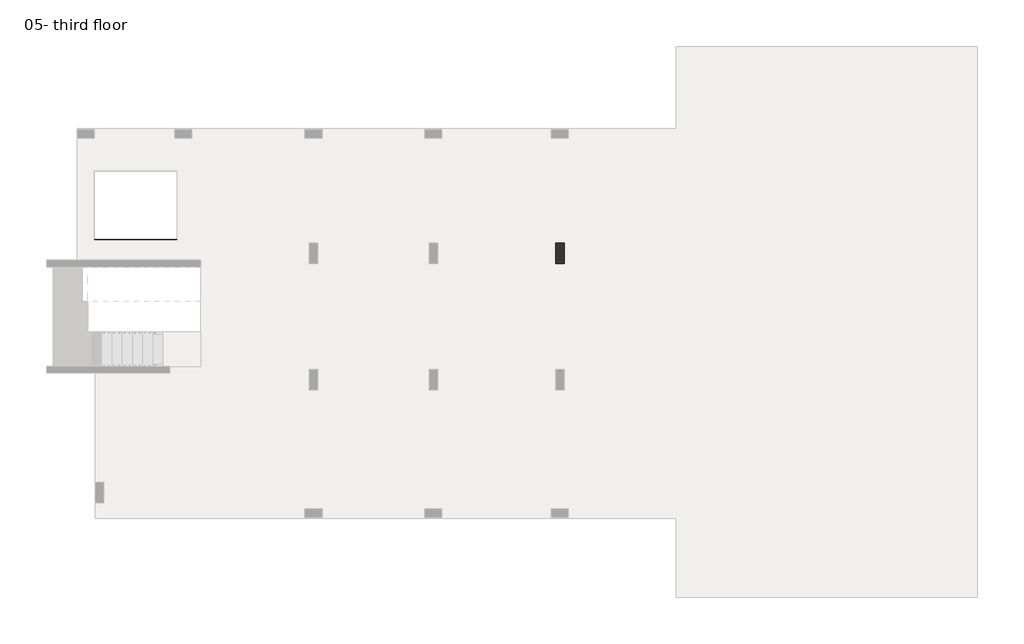
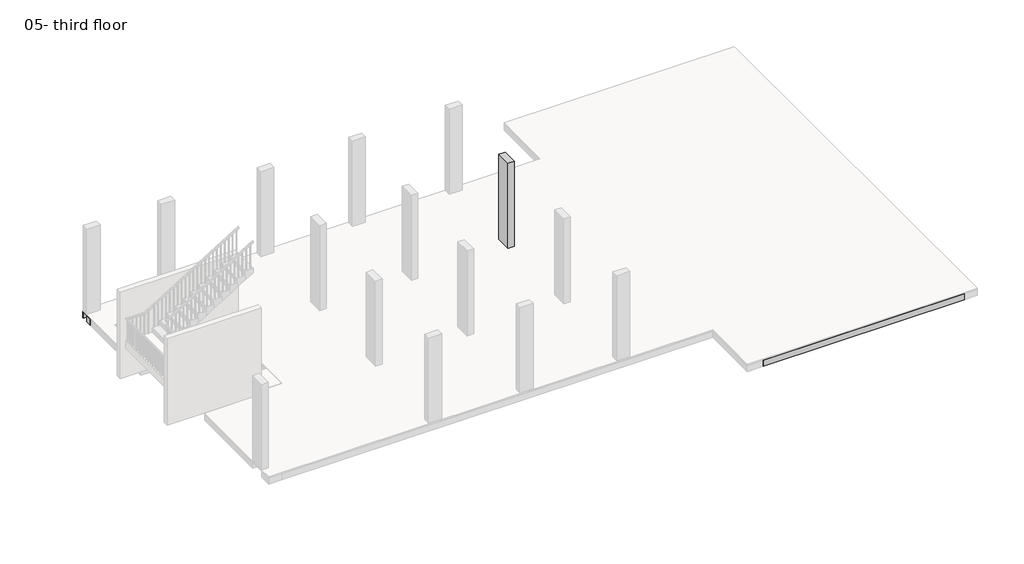
# One storey, part 3 of 5: 15 beams, 1 column.
"""IFC4 building model written with IfcOpenShell, lengths in millimetres."""

from ifc_helpers import new_model, si_unit, frame, origin, place, context, project, spatial, polyline, outline, extrude, faceted_brep, element, save

model = new_model("IFC4")

# Units and contexts
model_context = context("Model", 3, world=origin())
ifc_project = project(units=[si_unit("LENGTHUNIT", "METRE", prefix="MILLI")], contexts=[model_context])

# Site, building, storey
site = spatial("IfcSite", under=ifc_project)
building = spatial("IfcBuilding", under=site)
storey = spatial("IfcBuildingStorey", under=building, Name="05- third floor", Elevation=10500.0)

# Beams
placement = place(None, origin())
element("IfcBeam", 1, ObjectType="B 150 x 250 mm", at=placement, inside=storey, context=model_context, shape_type="SweptSolid", body=[
    extrude(outline(polyline([(21975.0195763, -13246.8939341), (21825.0195763, -13246.8939341), (21825.0195763, -11246.893934), (21975.0195763, -11246.893934), (21975.0195763, -13246.8939341)])), frame((0.0, 0.0, 10200.0), z_axis=(0.0, 0.0, 1.0), x_axis=(1.0, 0.0, 0.0)), (0.0, 0.0, 1.0), 250.0),
])
element("IfcBeam", 2, ObjectType="B 150 x 250 mm", at=placement, inside=storey, context=model_context, shape_type="SweptSolid", body=[
    extrude(outline(polyline([(18375.0390798, -13246.8939341), (18225.0390798, -13246.8939341), (18225.0390798, -11246.893934), (18375.0390798, -11246.893934), (18375.0390798, -13246.8939341)])), frame((0.0, 0.0, 10200.0), z_axis=(0.0, 0.0, 1.0), x_axis=(1.0, 0.0, 0.0)), (0.0, 0.0, 1.0), 250.0),
])
element("IfcBeam", 3, ObjectType="B 150 x 250 mm", at=placement, inside=storey, context=model_context, shape_type="SweptSolid", body=[
    extrude(outline(polyline([(18925.0390798, -13246.8939341), (18775.0390798, -13246.8939341), (18775.0390798, -11246.893934), (18925.0390798, -11246.893934), (18925.0390798, -13246.8939341)])), frame((0.0, 0.0, 10200.0), z_axis=(0.0, 0.0, 1.0), x_axis=(1.0, 0.0, 0.0)), (0.0, 0.0, 1.0), 250.0),
])
element("IfcBeam", 4, ObjectType="B 150 x 250 mm", at=placement, inside=storey, context=model_context, shape_type="SweptSolid", body=[
    extrude(outline(polyline([(19475.0390798, -13246.8939341), (19325.0390798, -13246.8939341), (19325.0390798, -11246.893934), (19475.0390798, -11246.893934), (19475.0390798, -13246.8939341)])), frame((0.0, 0.0, 10200.0), z_axis=(0.0, 0.0, 1.0), x_axis=(1.0, 0.0, 0.0)), (0.0, 0.0, 1.0), 250.0),
])
element("IfcBeam", 5, ObjectType="B 150 x 250 mm", at=placement, inside=storey, context=model_context, shape_type="SweptSolid", body=[
    extrude(outline(polyline([(20025.0390798, -13246.8939341), (19875.0390798, -13246.8939341), (19875.0390798, -11246.893934), (20025.0390798, -11246.893934), (20025.0390798, -13246.8939341)])), frame((0.0, 0.0, 10200.0), z_axis=(0.0, 0.0, 1.0), x_axis=(1.0, 0.0, 0.0)), (0.0, 0.0, 1.0), 250.0),
])
element("IfcBeam", 6, ObjectType="B 150 x 250 mm", at=placement, inside=storey, context=model_context, shape_type="SweptSolid", body=[
    extrude(outline(polyline([(20575.0390798, -13246.8939341), (20425.0390798, -13246.8939341), (20425.0390798, -11246.893934), (20575.0390798, -11246.893934), (20575.0390798, -13246.8939341)])), frame((0.0, 0.0, 10200.0), z_axis=(0.0, 0.0, 1.0), x_axis=(1.0, 0.0, 0.0)), (0.0, 0.0, 1.0), 250.0),
])
element("IfcBeam", 7, ObjectType="B 150 x 250 mm", at=placement, inside=storey, context=model_context, shape_type="SweptSolid", body=[
    extrude(outline(polyline([(14525.0390798, -346.893934), (14675.0390798, -346.893934), (14675.0390798, -3096.893934), (14525.0390798, -3096.893934), (14525.0390798, -346.893934)])), frame((0.0, 0.0, 10200.0), z_axis=(0.0, 0.0, 1.0), x_axis=(1.0, 0.0, 0.0)), (0.0, 0.0, 1.0), 250.0),
])
element("IfcBeam", 8, ObjectType="B 150 x 250 mm", at=placement, inside=storey, context=model_context, shape_type="SweptSolid", body=[
    extrude(outline(polyline([(15075.0390798, -346.893934), (15225.0390798, -346.893934), (15225.0390798, -3096.893934), (15075.0390798, -3096.893934), (15075.0390798, -346.893934)])), frame((0.0, 0.0, 10200.0), z_axis=(0.0, 0.0, 1.0), x_axis=(1.0, 0.0, 0.0)), (0.0, 0.0, 1.0), 250.0),
])
element("IfcBeam", 9, ObjectType="B 150 x 250 mm", at=placement, inside=storey, context=model_context, shape_type="SweptSolid", body=[
    extrude(outline(polyline([(15625.0390798, -346.893934), (15775.0390798, -346.893934), (15775.0390798, -3096.893934), (15625.0390798, -3096.893934), (15625.0390798, -346.893934)])), frame((0.0, 0.0, 10200.0), z_axis=(0.0, 0.0, 1.0), x_axis=(1.0, 0.0, 0.0)), (0.0, 0.0, 1.0), 250.0),
])
element("IfcBeam", 10, ObjectType="B 150 x 250 mm", at=placement, inside=storey, context=model_context, shape_type="SweptSolid", body=[
    extrude(outline(polyline([(11925.0390798, -346.893934), (12075.0390798, -346.893934), (12075.0390798, -3096.893934), (11925.0390798, -3096.893934), (11925.0390798, -346.893934)])), frame((0.0, 0.0, 10200.0), z_axis=(0.0, 0.0, 1.0), x_axis=(1.0, 0.0, 0.0)), (0.0, 0.0, 1.0), 250.0),
])
element("IfcBeam", 11, ObjectType="B 150 x 250 mm", at=placement, inside=storey, context=model_context, shape_type="SweptSolid", body=[
    extrude(outline(polyline([(12475.0390798, -346.893934), (12625.0390798, -346.893934), (12625.0390798, -3096.893934), (12475.0390798, -3096.893934), (12475.0390798, -346.893934)])), frame((0.0, 0.0, 10200.0), z_axis=(0.0, 0.0, 1.0), x_axis=(1.0, 0.0, 0.0)), (0.0, 0.0, 1.0), 250.0),
])
element("IfcBeam", 12, ObjectType="B 150 x 250 mm", at=placement, inside=storey, context=model_context, shape_type="SweptSolid", body=[
    extrude(outline(polyline([(13025.0390798, -346.893934), (13175.0390798, -346.893934), (13175.0390798, -3096.893934), (13025.0390798, -3096.893934), (13025.0390798, -346.893934)])), frame((0.0, 0.0, 10200.0), z_axis=(0.0, 0.0, 1.0), x_axis=(1.0, 0.0, 0.0)), (0.0, 0.0, 1.0), 250.0),
])
element("IfcBeam", 13, ObjectType="B4 800 x 250 mm", at=placement, inside=storey, context=model_context, shape_type="Brep", body=[
    faceted_brep([(250.0, -3096.893934, 10450.0), (250.0, -3096.893934, 10200.0), (250.0, -3696.893934, 10200.0), (250.0, -3696.893934, 10450.0), (25550.0000727, -3896.893934, 10450.0), (25550.0000727, -3896.893934, 10200.0), (25550.0000727, -3096.893934, 10200.0), (25550.0000727, -3096.893934, 10450.0), (25275.0195763, -3096.893934, 10450.0), (25125.0195763, -3096.893934, 10450.0), (24725.0195763, -3096.893934, 10450.0), (24575.0195763, -3096.893934, 10450.0), (24175.0195763, -3096.893934, 10450.0), (24025.0195763, -3096.893934, 10450.0), (23625.0195763, -3096.893934, 10450.0), (23475.0195763, -3096.893934, 10450.0), (23075.0195763, -3096.893934, 10450.0), (22925.0195763, -3096.893934, 10450.0), (22525.0195763, -3096.893934, 10450.0), (22375.0195763, -3096.893934, 10450.0), (21975.0195763, -3096.893934, 10450.0), (21825.0195763, -3096.893934, 10450.0), (21550.0390798, -3096.893934, 10450.0), (20950.0390798, -3096.893934, 10450.0), (20575.0390798, -3096.893934, 10450.0), (20425.0390798, -3096.893934, 10450.0), (20025.0390798, -3096.893934, 10450.0), (19875.0390798, -3096.893934, 10450.0), (19475.0390798, -3096.893934, 10450.0), (19325.0390798, -3096.893934, 10450.0), (18925.0390798, -3096.893934, 10450.0), (18775.0390798, -3096.893934, 10450.0), (18375.0390798, -3096.893934, 10450.0), (18225.0390798, -3096.893934, 10450.0), (17850.0390798, -3096.893934, 10450.0), (17250.0390798, -3096.893934, 10450.0), (16875.0390798, -3096.893934, 10450.0), (16725.0390798, -3096.893934, 10450.0), (16325.0390798, -3096.893934, 10450.0), (16175.0390798, -3096.893934, 10450.0), (15775.0390798, -3096.893934, 10450.0), (15625.0390798, -3096.893934, 10450.0), (15225.0390798, -3096.893934, 10450.0), (15075.0390798, -3096.893934, 10450.0), (14675.0390798, -3096.893934, 10450.0), (14525.0390798, -3096.893934, 10450.0), (14150.0390798, -3096.893934, 10450.0), (13550.0390798, -3096.893934, 10450.0), (13175.0390798, -3096.893934, 10450.0), (13025.0390798, -3096.893934, 10450.0), (12625.0390798, -3096.893934, 10450.0), (12475.0390798, -3096.893934, 10450.0), (12075.0390798, -3096.893934, 10450.0), (11925.0390798, -3096.893934, 10450.0), (11525.0390798, -3096.893934, 10450.0), (11375.0390798, -3096.893934, 10450.0), (10975.0390798, -3096.893934, 10450.0), (10825.0390798, -3096.893934, 10450.0), (10450.0390798, -3096.893934, 10450.0), (9850.0390798, -3096.893934, 10450.0), (9575.0390798, -3096.893934, 10450.0), (9425.0390798, -3096.893934, 10450.0), (9025.0390798, -3096.893934, 10450.0), (8875.0390798, -3096.893934, 10450.0), (8475.0390798, -3096.893934, 10450.0), (8325.0390798, -3096.893934, 10450.0), (7925.0390798, -3096.893934, 10450.0), (7775.0390798, -3096.893934, 10450.0), (7375.0390798, -3096.893934, 10450.0), (7225.0390798, -3096.893934, 10450.0), (6950.0390798, -3096.893934, 10450.0), (6350.0390798, -3096.893934, 10450.0), (6125.0195399, -3096.893934, 10450.0), (5975.0195399, -3096.893934, 10450.0), (5575.0195399, -3096.893934, 10450.0), (5425.0195399, -3096.893934, 10450.0), (5025.0195399, -3096.893934, 10450.0), (4875.0195399, -3096.893934, 10450.0), (4475.0195399, -3096.893934, 10450.0), (4325.0195399, -3096.893934, 10450.0), (3925.0195399, -3096.893934, 10450.0), (3775.0195399, -3096.893934, 10450.0), (3375.0195399, -3096.893934, 10450.0), (3225.0195399, -3096.893934, 10450.0), (2814.8770182, -3096.893934, 10450.0), (2664.8770182, -3096.893934, 10450.0), (2650.0, -3096.893934, 10450.0), (3350.0, -3696.893934, 10450.0), (3350.0, -3896.893934, 10450.0), (3850.0, -3896.893934, 10450.0), (3925.0195399, -3896.893934, 10450.0), (4075.0195399, -3896.893934, 10450.0), (4475.0195399, -3896.893934, 10450.0), (4625.0195399, -3896.893934, 10450.0), (5025.0195399, -3896.893934, 10450.0), (5175.0195399, -3896.893934, 10450.0), (5575.0195399, -3896.893934, 10450.0), (5725.0195399, -3896.893934, 10450.0), (6125.0195399, -3896.893934, 10450.0), (6275.0195399, -3896.893934, 10450.0), (6350.0390798, -3896.893934, 10450.0), (6950.0390798, -3896.893934, 10450.0), (7225.0390798, -3896.893934, 10450.0), (7375.0390798, -3896.893934, 10450.0), (7775.0390798, -3896.893934, 10450.0), (7925.0390798, -3896.893934, 10450.0), (8325.0390798, -3896.893934, 10450.0), (8475.0390798, -3896.893934, 10450.0), (8875.0390798, -3896.893934, 10450.0), (9025.0390798, -3896.893934, 10450.0), (9425.0390798, -3896.893934, 10450.0), (9575.0390798, -3896.893934, 10450.0), (9850.0390798, -3896.893934, 10450.0), (10450.0390798, -3896.893934, 10450.0), (10825.0390798, -3896.893934, 10450.0), (10975.0390798, -3896.893934, 10450.0), (11375.0390798, -3896.893934, 10450.0), (11525.0390798, -3896.893934, 10450.0), (11925.0390798, -3896.893934, 10450.0), (12075.0390798, -3896.893934, 10450.0), (12475.0390798, -3896.893934, 10450.0), (12625.0390798, -3896.893934, 10450.0), (13025.0390798, -3896.893934, 10450.0), (13175.0390798, -3896.893934, 10450.0), (13550.0390798, -3896.893934, 10450.0), (14150.0390798, -3896.893934, 10450.0), (14525.0390798, -3896.893934, 10450.0), (14675.0390798, -3896.893934, 10450.0), (15075.0390798, -3896.893934, 10450.0), (15225.0390798, -3896.893934, 10450.0), (15625.0390798, -3896.893934, 10450.0), (15775.0390798, -3896.893934, 10450.0), (16175.0390798, -3896.893934, 10450.0), (16325.0390798, -3896.893934, 10450.0), (16725.0390798, -3896.893934, 10450.0), (16875.0390798, -3896.893934, 10450.0), (17250.0390798, -3896.893934, 10450.0), (17850.0390798, -3896.893934, 10450.0), (18225.0390798, -3896.893934, 10450.0), (18375.0390798, -3896.893934, 10450.0), (18775.0390798, -3896.893934, 10450.0), (18925.0390798, -3896.893934, 10450.0), (19325.0390798, -3896.893934, 10450.0), (19475.0390798, -3896.893934, 10450.0), (19875.0390798, -3896.893934, 10450.0), (20025.0390798, -3896.893934, 10450.0), (20425.0390798, -3896.893934, 10450.0), (20575.0390798, -3896.893934, 10450.0), (20950.0390798, -3896.893934, 10450.0), (21550.0390798, -3896.893934, 10450.0), (21825.0195763, -3896.893934, 10450.0), (21975.0195763, -3896.893934, 10450.0), (22375.0195763, -3896.893934, 10450.0), (22525.0195763, -3896.893934, 10450.0), (22925.0195763, -3896.893934, 10450.0), (23075.0195763, -3896.893934, 10450.0), (23475.0195763, -3896.893934, 10450.0), (23625.0195763, -3896.893934, 10450.0), (24025.0195763, -3896.893934, 10450.0), (24175.0195763, -3896.893934, 10450.0), (24575.0195763, -3896.893934, 10450.0), (24725.0195763, -3896.893934, 10450.0), (25125.0195763, -3896.893934, 10450.0), (25275.0195763, -3896.893934, 10450.0), (21125.0390798, -3195.451857, 10450.0), (21375.0390798, -3195.451857, 10450.0), (21375.0390798, -3795.451857, 10450.0), (21125.0390798, -3795.451857, 10450.0), (17425.0390798, -3195.451857, 10450.0), (17675.0390798, -3195.451857, 10450.0), (17675.0390798, -3795.451857, 10450.0), (17425.0390798, -3795.451857, 10450.0), (13725.0390798, -3195.451857, 10450.0), (13975.0390798, -3195.451857, 10450.0), (13975.0390798, -3795.451857, 10450.0), (13725.0390798, -3795.451857, 10450.0), (10025.0390798, -3195.451857, 10450.0), (10275.0390798, -3195.451857, 10450.0), (10275.0390798, -3795.451857, 10450.0), (10025.0390798, -3795.451857, 10450.0), (6525.0390798, -3196.893934, 10450.0), (6775.0390798, -3196.893934, 10450.0), (6775.0390798, -3796.893934, 10450.0), (6525.0390798, -3796.893934, 10450.0), (25275.0195763, -3096.893934, 10200.0), (25125.0195763, -3096.893934, 10200.0), (24725.0195763, -3096.893934, 10200.0), (24575.0195763, -3096.893934, 10200.0), (24175.0195763, -3096.893934, 10200.0), (24025.0195763, -3096.893934, 10200.0), (23625.0195763, -3096.893934, 10200.0), (23475.0195763, -3096.893934, 10200.0), (23075.0195763, -3096.893934, 10200.0), (22925.0195763, -3096.893934, 10200.0), (22525.0195763, -3096.893934, 10200.0), (22375.0195763, -3096.893934, 10200.0), (21975.0195763, -3096.893934, 10200.0), (21825.0195763, -3096.893934, 10200.0), (21550.0390798, -3096.893934, 10200.0), (20950.0390798, -3096.893934, 10200.0), (20575.0390798, -3096.893934, 10200.0), (20425.0390798, -3096.893934, 10200.0), (20025.0390798, -3096.893934, 10200.0), (19875.0390798, -3096.893934, 10200.0), (19475.0390798, -3096.893934, 10200.0), (19325.0390798, -3096.893934, 10200.0), (18925.0390798, -3096.893934, 10200.0), (18775.0390798, -3096.893934, 10200.0), (18375.0390798, -3096.893934, 10200.0), (18225.0390798, -3096.893934, 10200.0), (17850.0390798, -3096.893934, 10200.0), (17250.0390798, -3096.893934, 10200.0), (16875.0390798, -3096.893934, 10200.0), (16725.0390798, -3096.893934, 10200.0), (16325.0390798, -3096.893934, 10200.0), (16175.0390798, -3096.893934, 10200.0), (15775.0390798, -3096.893934, 10200.0), (15625.0390798, -3096.893934, 10200.0), (15225.0390798, -3096.893934, 10200.0), (15075.0390798, -3096.893934, 10200.0), (14675.0390798, -3096.893934, 10200.0), (14525.0390798, -3096.893934, 10200.0), (14150.0390798, -3096.893934, 10200.0), (13550.0390798, -3096.893934, 10200.0), (13175.0390798, -3096.893934, 10200.0), (13025.0390798, -3096.893934, 10200.0), (12625.0390798, -3096.893934, 10200.0), (12475.0390798, -3096.893934, 10200.0), (12075.0390798, -3096.893934, 10200.0), (11925.0390798, -3096.893934, 10200.0), (11525.0390798, -3096.893934, 10200.0), (11375.0390798, -3096.893934, 10200.0), (10975.0390798, -3096.893934, 10200.0), (10825.0390798, -3096.893934, 10200.0), (10450.0390798, -3096.893934, 10200.0), (9850.0390798, -3096.893934, 10200.0), (9575.0390798, -3096.893934, 10200.0), (9425.0390798, -3096.893934, 10200.0), (9025.0390798, -3096.893934, 10200.0), (8875.0390798, -3096.893934, 10200.0), (8475.0390798, -3096.893934, 10200.0), (8325.0390798, -3096.893934, 10200.0), (7925.0390798, -3096.893934, 10200.0), (7775.0390798, -3096.893934, 10200.0), (7375.0390798, -3096.893934, 10200.0), (7225.0390798, -3096.893934, 10200.0), (6950.0390798, -3096.893934, 10200.0), (6350.0390798, -3096.893934, 10200.0), (6125.0195399, -3096.893934, 10200.0), (5975.0195399, -3096.893934, 10200.0), (5575.0195399, -3096.893934, 10200.0), (5425.0195399, -3096.893934, 10200.0), (5025.0195399, -3096.893934, 10200.0), (4875.0195399, -3096.893934, 10200.0), (4475.0195399, -3096.893934, 10200.0), (4325.0195399, -3096.893934, 10200.0), (3925.0195399, -3096.893934, 10200.0), (3775.0195399, -3096.893934, 10200.0), (3375.0195399, -3096.893934, 10200.0), (3225.0195399, -3096.893934, 10200.0), (2814.8770182, -3096.893934, 10200.0), (2664.8770182, -3096.893934, 10200.0), (25275.0195763, -3896.893934, 10200.0), (25125.0195763, -3896.893934, 10200.0), (24725.0195763, -3896.893934, 10200.0), (24575.0195763, -3896.893934, 10200.0), (24175.0195763, -3896.893934, 10200.0), (24025.0195763, -3896.893934, 10200.0), (23625.0195763, -3896.893934, 10200.0), (23475.0195763, -3896.893934, 10200.0), (23075.0195763, -3896.893934, 10200.0), (22925.0195763, -3896.893934, 10200.0), (22525.0195763, -3896.893934, 10200.0), (22375.0195763, -3896.893934, 10200.0), (21975.0195763, -3896.893934, 10200.0), (21825.0195763, -3896.893934, 10200.0), (21550.0390798, -3896.893934, 10200.0), (20950.0390798, -3896.893934, 10200.0), (20575.0390798, -3896.893934, 10200.0), (20425.0390798, -3896.893934, 10200.0), (20025.0390798, -3896.893934, 10200.0), (19875.0390798, -3896.893934, 10200.0), (19475.0390798, -3896.893934, 10200.0), (19325.0390798, -3896.893934, 10200.0), (18925.0390798, -3896.893934, 10200.0), (18775.0390798, -3896.893934, 10200.0), (18375.0390798, -3896.893934, 10200.0), (18225.0390798, -3896.893934, 10200.0), (17850.0390798, -3896.893934, 10200.0), (17250.0390798, -3896.893934, 10200.0), (16875.0390798, -3896.893934, 10200.0), (16725.0390798, -3896.893934, 10200.0), (16325.0390798, -3896.893934, 10200.0), (16175.0390798, -3896.893934, 10200.0), (15775.0390798, -3896.893934, 10200.0), (15625.0390798, -3896.893934, 10200.0), (15225.0390798, -3896.893934, 10200.0), (15075.0390798, -3896.893934, 10200.0), (14675.0390798, -3896.893934, 10200.0), (14525.0390798, -3896.893934, 10200.0), (14150.0390798, -3896.893934, 10200.0), (13550.0390798, -3896.893934, 10200.0), (13175.0390798, -3896.893934, 10200.0), (13025.0390798, -3896.893934, 10200.0), (12625.0390798, -3896.893934, 10200.0), (12475.0390798, -3896.893934, 10200.0), (12075.0390798, -3896.893934, 10200.0), (11925.0390798, -3896.893934, 10200.0), (11525.0390798, -3896.893934, 10200.0), (11375.0390798, -3896.893934, 10200.0), (10975.0390798, -3896.893934, 10200.0), (10825.0390798, -3896.893934, 10200.0), (10450.0390798, -3896.893934, 10200.0), (9850.0390798, -3896.893934, 10200.0), (9575.0390798, -3896.893934, 10200.0), (9425.0390798, -3896.893934, 10200.0), (9025.0390798, -3896.893934, 10200.0), (8875.0390798, -3896.893934, 10200.0), (8475.0390798, -3896.893934, 10200.0), (8325.0390798, -3896.893934, 10200.0), (7925.0390798, -3896.893934, 10200.0), (7775.0390798, -3896.893934, 10200.0), (7375.0390798, -3896.893934, 10200.0), (7225.0390798, -3896.893934, 10200.0), (6950.0390798, -3896.893934, 10200.0), (6350.0390798, -3896.893934, 10200.0), (6275.0195399, -3896.893934, 10200.0), (6125.0195399, -3896.893934, 10200.0), (5725.0195399, -3896.893934, 10200.0), (5575.0195399, -3896.893934, 10200.0), (5175.0195399, -3896.893934, 10200.0), (5025.0195399, -3896.893934, 10200.0), (4625.0195399, -3896.893934, 10200.0), (4475.0195399, -3896.893934, 10200.0), (4075.0195399, -3896.893934, 10200.0), (3925.0195399, -3896.893934, 10200.0), (3850.0, -3896.893934, 10200.0), (3350.0, -3896.893934, 10200.0), (3350.0, -3696.893934, 10200.0), (21375.0390798, -3195.451857, 10200.0), (21125.0390798, -3195.451857, 10200.0), (21125.0390798, -3795.451857, 10200.0), (21375.0390798, -3795.451857, 10200.0), (17675.0390798, -3195.451857, 10200.0), (17425.0390798, -3195.451857, 10200.0), (17425.0390798, -3795.451857, 10200.0), (17675.0390798, -3795.451857, 10200.0), (13975.0390798, -3195.451857, 10200.0), (13725.0390798, -3195.451857, 10200.0), (13725.0390798, -3795.451857, 10200.0), (13975.0390798, -3795.451857, 10200.0), (10275.0390798, -3195.451857, 10200.0), (10025.0390798, -3195.451857, 10200.0), (10025.0390798, -3795.451857, 10200.0), (10275.0390798, -3795.451857, 10200.0), (6775.0390798, -3196.893934, 10200.0), (6525.0390798, -3196.893934, 10200.0), (6525.0390798, -3796.893934, 10200.0), (6775.0390798, -3796.893934, 10200.0)], [[[0, 1, 2, 3]], [[4, 5, 6, 7]], [[4, 7, 8, 9, 10, 11, 12, 13, 14, 15, 16, 17, 18, 19, 20, 21, 22, 23, 24, 25, 26, 27, 28, 29, 30, 31, 32, 33, 34, 35, 36, 37, 38, 39, 40, 41, 42, 43, 44, 45, 46, 47, 48, 49, 50, 51, 52, 53, 54, 55, 56, 57, 58, 59, 60, 61, 62, 63, 64, 65, 66, 67, 68, 69, 70, 71, 72, 73, 74, 75, 76, 77, 78, 79, 80, 81, 82, 83, 84, 85, 86, 0, 3, 87, 88, 89, 90, 91, 92, 93, 94, 95, 96, 97, 98, 99, 100, 101, 102, 103, 104, 105, 106, 107, 108, 109, 110, 111, 112, 113, 114, 115, 116, 117, 118, 119, 120, 121, 122, 123, 124, 125, 126, 127, 128, 129, 130, 131, 132, 133, 134, 135, 136, 137, 138, 139, 140, 141, 142, 143, 144, 145, 146, 147, 148, 149, 150, 151, 152, 153, 154, 155, 156, 157, 158, 159, 160, 161, 162, 163], [164, 165, 166, 167], [168, 169, 170, 171], [172, 173, 174, 175], [176, 177, 178, 179], [180, 181, 182, 183]], [[1, 0, 86, 85, 84, 83, 82, 81, 80, 79, 78, 77, 76, 75, 74, 73, 72, 71, 70, 69, 68, 67, 66, 65, 64, 63, 62, 61, 60, 59, 58, 57, 56, 55, 54, 53, 52, 51, 50, 49, 48, 47, 46, 45, 44, 43, 42, 41, 40, 39, 38, 37, 36, 35, 34, 33, 32, 31, 30, 29, 28, 27, 26, 25, 24, 23, 22, 21, 20, 19, 18, 17, 16, 15, 14, 13, 12, 11, 10, 9, 8, 7, 6, 184, 185, 186, 187, 188, 189, 190, 191, 192, 193, 194, 195, 196, 197, 198, 199, 200, 201, 202, 203, 204, 205, 206, 207, 208, 209, 210, 211, 212, 213, 214, 215, 216, 217, 218, 219, 220, 221, 222, 223, 224, 225, 226, 227, 228, 229, 230, 231, 232, 233, 234, 235, 236, 237, 238, 239, 240, 241, 242, 243, 244, 245, 246, 247, 248, 249, 250, 251, 252, 253, 254, 255, 256, 257, 258, 259, 260, 261]], [[6, 5, 262, 263, 264, 265, 266, 267, 268, 269, 270, 271, 272, 273, 274, 275, 276, 277, 278, 279, 280, 281, 282, 283, 284, 285, 286, 287, 288, 289, 290, 291, 292, 293, 294, 295, 296, 297, 298, 299, 300, 301, 302, 303, 304, 305, 306, 307, 308, 309, 310, 311, 312, 313, 314, 315, 316, 317, 318, 319, 320, 321, 322, 323, 324, 325, 326, 327, 328, 329, 330, 331, 332, 333, 334, 335, 336, 337, 338, 2, 1, 261, 260, 259, 258, 257, 256, 255, 254, 253, 252, 251, 250, 249, 248, 247, 246, 245, 244, 243, 242, 241, 240, 239, 238, 237, 236, 235, 234, 233, 232, 231, 230, 229, 228, 227, 226, 225, 224, 223, 222, 221, 220, 219, 218, 217, 216, 215, 214, 213, 212, 211, 210, 209, 208, 207, 206, 205, 204, 203, 202, 201, 200, 199, 198, 197, 196, 195, 194, 193, 192, 191, 190, 189, 188, 187, 186, 185, 184], [339, 340, 341, 342], [343, 344, 345, 346], [347, 348, 349, 350], [351, 352, 353, 354], [355, 356, 357, 358]], [[5, 4, 163, 162, 161, 160, 159, 158, 157, 156, 155, 154, 153, 152, 151, 150, 149, 148, 147, 146, 145, 144, 143, 142, 141, 140, 139, 138, 137, 136, 135, 134, 133, 132, 131, 130, 129, 128, 127, 126, 125, 124, 123, 122, 121, 120, 119, 118, 117, 116, 115, 114, 113, 112, 111, 110, 109, 108, 107, 106, 105, 104, 103, 102, 101, 100, 99, 98, 97, 96, 95, 94, 93, 92, 91, 90, 89, 88, 337, 336, 335, 334, 333, 332, 331, 330, 329, 328, 327, 326, 325, 324, 323, 322, 321, 320, 319, 318, 317, 316, 315, 314, 313, 312, 311, 310, 309, 308, 307, 306, 305, 304, 303, 302, 301, 300, 299, 298, 297, 296, 295, 294, 293, 292, 291, 290, 289, 288, 287, 286, 285, 284, 283, 282, 281, 280, 279, 278, 277, 276, 275, 274, 273, 272, 271, 270, 269, 268, 267, 266, 265, 264, 263, 262]], [[339, 165, 164, 340]], [[166, 342, 341, 167]], [[165, 339, 342, 166]], [[167, 341, 340, 164]], [[343, 169, 168, 344]], [[170, 346, 345, 171]], [[169, 343, 346, 170]], [[171, 345, 344, 168]], [[347, 173, 172, 348]], [[174, 350, 349, 175]], [[173, 347, 350, 174]], [[175, 349, 348, 172]], [[351, 177, 176, 352]], [[178, 354, 353, 179]], [[177, 351, 354, 178]], [[179, 353, 352, 176]], [[355, 181, 180, 356]], [[182, 358, 357, 183]], [[181, 355, 358, 182]], [[183, 357, 356, 180]], [[338, 87, 3, 2]], [[87, 338, 337, 88]]]),
])
element("IfcBeam", 14, ObjectType="B5 500 x 250 mm", at=placement, inside=storey, context=model_context, shape_type="Brep", body=[
    faceted_brep([(250.0, -121.893934, 10450.0), (-250.0, -121.893934, 10450.0), (-250.0, -346.893934, 10450.0), (250.0, -346.893934, 10450.0), (2664.8770182, -346.893934, 10450.0), (2814.8770182, -346.893934, 10450.0), (3225.0195399, -346.893934, 10450.0), (3375.0195399, -346.893934, 10450.0), (3775.0195399, -346.893934, 10450.0), (3925.0195399, -346.893934, 10450.0), (4325.0195399, -346.893934, 10450.0), (4475.0195399, -346.893934, 10450.0), (4875.0195399, -346.893934, 10450.0), (5025.0195399, -346.893934, 10450.0), (5425.0195399, -346.893934, 10450.0), (5575.0195399, -346.893934, 10450.0), (5975.0195399, -346.893934, 10450.0), (6125.0195399, -346.893934, 10450.0), (6350.0390798, -346.893934, 10450.0), (6950.0390798, -346.893934, 10450.0), (7225.0390798, -346.893934, 10450.0), (7375.0390798, -346.893934, 10450.0), (7775.0390798, -346.893934, 10450.0), (7925.0390798, -346.893934, 10450.0), (8325.0390798, -346.893934, 10450.0), (8475.0390798, -346.893934, 10450.0), (8875.0390798, -346.893934, 10450.0), (9025.0390798, -346.893934, 10450.0), (9425.0390798, -346.893934, 10450.0), (9575.0390798, -346.893934, 10450.0), (9850.0390798, -346.893934, 10450.0), (10450.0390798, -346.893934, 10450.0), (10825.0390798, -346.893934, 10450.0), (10975.0390798, -346.893934, 10450.0), (11375.0390798, -346.893934, 10450.0), (11525.0390798, -346.893934, 10450.0), (11925.0390798, -346.893934, 10450.0), (12075.0390798, -346.893934, 10450.0), (12475.0390798, -346.893934, 10450.0), (12625.0390798, -346.893934, 10450.0), (13025.0390798, -346.893934, 10450.0), (13175.0390798, -346.893934, 10450.0), (13550.0390798, -346.893934, 10450.0), (14150.0390798, -346.893934, 10450.0), (14525.0390798, -346.893934, 10450.0), (14675.0390798, -346.893934, 10450.0), (15075.0390798, -346.893934, 10450.0), (15225.0390798, -346.893934, 10450.0), (15625.0390798, -346.893934, 10450.0), (15775.0390798, -346.893934, 10450.0), (16175.0390798, -346.893934, 10450.0), (16325.0390798, -346.893934, 10450.0), (16725.0390798, -346.893934, 10450.0), (16875.0390798, -346.893934, 10450.0), (17250.0390798, -346.893934, 10450.0), (17850.0390798, -346.893934, 10450.0), (18225.0390798, -346.893934, 10450.0), (18375.0390798, -346.893934, 10450.0), (18775.0390798, -346.893934, 10450.0), (18925.0390798, -346.893934, 10450.0), (19325.0390798, -346.893934, 10450.0), (19475.0390798, -346.893934, 10450.0), (19875.0390798, -346.893934, 10450.0), (20025.0390798, -346.893934, 10450.0), (20425.0390798, -346.893934, 10450.0), (20575.0390798, -346.893934, 10450.0), (20950.0390798, -346.893934, 10450.0), (21550.0390798, -346.893934, 10450.0), (21825.0195763, -346.893934, 10450.0), (21975.0195763, -346.893934, 10450.0), (22375.0195763, -346.893934, 10450.0), (22525.0195763, -346.893934, 10450.0), (22925.0195763, -346.893934, 10450.0), (23075.0195763, -346.893934, 10450.0), (23475.0195763, -346.893934, 10450.0), (23625.0195763, -346.893934, 10450.0), (24025.0195763, -346.893934, 10450.0), (24175.0195763, -346.893934, 10450.0), (24575.0195763, -346.893934, 10450.0), (24725.0195763, -346.893934, 10450.0), (25125.0195763, -346.893934, 10450.0), (25275.0195763, -346.893934, 10450.0), (25550.0000727, -346.893934, 10450.0), (25550.0000727, -125.0, 10450.0), (25466.5, -125.0, 10450.0), (25466.5, 125.0, 10450.0), (25550.0000727, 125.0, 10450.0), (25550.0000727, 153.106066, 10450.0), (25275.0195763, 153.106066, 10450.0), (25125.0195763, 153.106066, 10450.0), (24725.0195763, 153.106066, 10450.0), (24575.0195763, 153.106066, 10450.0), (24175.0195763, 153.106066, 10450.0), (24025.0195763, 153.106066, 10450.0), (23625.0195763, 153.106066, 10450.0), (23475.0195763, 153.106066, 10450.0), (23075.0195763, 153.106066, 10450.0), (22925.0195763, 153.106066, 10450.0), (22525.0195763, 153.106066, 10450.0), (22375.0195763, 153.106066, 10450.0), (21975.0195763, 153.106066, 10450.0), (21825.0195763, 153.106066, 10450.0), (21550.0390798, 153.106066, 10450.0), (20950.0390798, 153.106066, 10450.0), (20575.0390798, 153.106066, 10450.0), (20425.0390798, 153.106066, 10450.0), (20025.0390798, 153.106066, 10450.0), (19875.0390798, 153.106066, 10450.0), (19475.0390798, 153.106066, 10450.0), (19325.0390798, 153.106066, 10450.0), (18925.0390798, 153.106066, 10450.0), (18775.0390798, 153.106066, 10450.0), (18375.0390798, 153.106066, 10450.0), (18225.0390798, 153.106066, 10450.0), (17850.0390798, 153.106066, 10450.0), (17250.0390798, 153.106066, 10450.0), (-250.0, 153.106066, 10450.0), (-250.0, 128.106066, 10450.0), (250.0, 128.106066, 10450.0), (2600.0, -121.893934, 10450.0), (2600.0, 128.106066, 10450.0), (3100.0, 128.106066, 10450.0), (3100.0, -121.893934, 10450.0), (6400.0390798, -121.893934, 10450.0), (6400.0390798, 128.106066, 10450.0), (6900.0390798, 128.106066, 10450.0), (6900.0390798, -121.893934, 10450.0), (9900.0390798, -121.893934, 10450.0), (9900.0390798, 128.106066, 10450.0), (10400.0390798, 128.106066, 10450.0), (10400.0390798, -121.893934, 10450.0), (13600.0390798, -121.893934, 10450.0), (13600.0390798, 128.106066, 10450.0), (14100.0390798, 128.106066, 10450.0), (14100.0390798, -121.893934, 10450.0), (17300.0390798, -121.893934, 10450.0), (17300.0390798, 128.106066, 10450.0), (17800.0390798, 128.106066, 10450.0), (17800.0390798, -121.893934, 10450.0), (21000.0390798, -121.893934, 10450.0), (21000.0390798, 128.106066, 10450.0), (21500.0390798, 128.106066, 10450.0), (21500.0390798, -121.893934, 10450.0), (-250.0, -346.893934, 10200.0), (250.0, -346.893934, 10200.0), (2664.8770182, -346.893934, 10200.0), (2814.8770182, -346.893934, 10200.0), (3225.0195399, -346.893934, 10200.0), (3375.0195399, -346.893934, 10200.0), (3775.0195399, -346.893934, 10200.0), (3925.0195399, -346.893934, 10200.0), (4325.0195399, -346.893934, 10200.0), (4475.0195399, -346.893934, 10200.0), (4875.0195399, -346.893934, 10200.0), (5025.0195399, -346.893934, 10200.0), (5425.0195399, -346.893934, 10200.0), (5575.0195399, -346.893934, 10200.0), (5975.0195399, -346.893934, 10200.0), (6125.0195399, -346.893934, 10200.0), (6350.0390798, -346.893934, 10200.0), (6950.0390798, -346.893934, 10200.0), (7225.0390798, -346.893934, 10200.0), (7375.0390798, -346.893934, 10200.0), (7775.0390798, -346.893934, 10200.0), (7925.0390798, -346.893934, 10200.0), (8325.0390798, -346.893934, 10200.0), (8475.0390798, -346.893934, 10200.0), (8875.0390798, -346.893934, 10200.0), (9025.0390798, -346.893934, 10200.0), (9425.0390798, -346.893934, 10200.0), (9575.0390798, -346.893934, 10200.0), (9850.0390798, -346.893934, 10200.0), (10450.0390798, -346.893934, 10200.0), (10825.0390798, -346.893934, 10200.0), (10975.0390798, -346.893934, 10200.0), (11375.0390798, -346.893934, 10200.0), (11525.0390798, -346.893934, 10200.0), (11925.0390798, -346.893934, 10200.0), (12075.0390798, -346.893934, 10200.0), (12475.0390798, -346.893934, 10200.0), (12625.0390798, -346.893934, 10200.0), (13025.0390798, -346.893934, 10200.0), (13175.0390798, -346.893934, 10200.0), (13550.0390798, -346.893934, 10200.0), (14150.0390798, -346.893934, 10200.0), (14525.0390798, -346.893934, 10200.0), (14675.0390798, -346.893934, 10200.0), (15075.0390798, -346.893934, 10200.0), (15225.0390798, -346.893934, 10200.0), (15625.0390798, -346.893934, 10200.0), (15775.0390798, -346.893934, 10200.0), (16175.0390798, -346.893934, 10200.0), (16325.0390798, -346.893934, 10200.0), (16725.0390798, -346.893934, 10200.0), (16875.0390798, -346.893934, 10200.0), (17250.0390798, -346.893934, 10200.0), (17850.0390798, -346.893934, 10200.0), (18225.0390798, -346.893934, 10200.0), (18375.0390798, -346.893934, 10200.0), (18775.0390798, -346.893934, 10200.0), (18925.0390798, -346.893934, 10200.0), (19325.0390798, -346.893934, 10200.0), (19475.0390798, -346.893934, 10200.0), (19875.0390798, -346.893934, 10200.0), (20025.0390798, -346.893934, 10200.0), (20425.0390798, -346.893934, 10200.0), (20575.0390798, -346.893934, 10200.0), (20950.0390798, -346.893934, 10200.0), (21550.0390798, -346.893934, 10200.0), (21825.0195763, -346.893934, 10200.0), (21975.0195763, -346.893934, 10200.0), (22375.0195763, -346.893934, 10200.0), (22525.0195763, -346.893934, 10200.0), (22925.0195763, -346.893934, 10200.0), (23075.0195763, -346.893934, 10200.0), (23475.0195763, -346.893934, 10200.0), (23625.0195763, -346.893934, 10200.0), (24025.0195763, -346.893934, 10200.0), (24175.0195763, -346.893934, 10200.0), (24575.0195763, -346.893934, 10200.0), (24725.0195763, -346.893934, 10200.0), (25125.0195763, -346.893934, 10200.0), (25275.0195763, -346.893934, 10200.0), (25550.0000727, -346.893934, 10200.0), (-250.0, -121.893934, 10200.0), (250.0, -121.893934, 10200.0), (250.0, 128.106066, 10200.0), (-250.0, 128.106066, 10200.0), (-250.0, 153.106066, 10200.0), (17250.0390798, 153.106066, 10200.0), (17850.0390798, 153.106066, 10200.0), (18225.0390798, 153.106066, 10200.0), (18375.0390798, 153.106066, 10200.0), (18775.0390798, 153.106066, 10200.0), (18925.0390798, 153.106066, 10200.0), (19325.0390798, 153.106066, 10200.0), (19475.0390798, 153.106066, 10200.0), (19875.0390798, 153.106066, 10200.0), (20025.0390798, 153.106066, 10200.0), (20425.0390798, 153.106066, 10200.0), (20575.0390798, 153.106066, 10200.0), (20950.0390798, 153.106066, 10200.0), (21550.0390798, 153.106066, 10200.0), (21825.0195763, 153.106066, 10200.0), (21975.0195763, 153.106066, 10200.0), (22375.0195763, 153.106066, 10200.0), (22525.0195763, 153.106066, 10200.0), (22925.0195763, 153.106066, 10200.0), (23075.0195763, 153.106066, 10200.0), (23475.0195763, 153.106066, 10200.0), (23625.0195763, 153.106066, 10200.0), (24025.0195763, 153.106066, 10200.0), (24175.0195763, 153.106066, 10200.0), (24575.0195763, 153.106066, 10200.0), (24725.0195763, 153.106066, 10200.0), (25125.0195763, 153.106066, 10200.0), (25275.0195763, 153.106066, 10200.0), (25550.0000727, 153.106066, 10200.0), (25550.0000727, 125.0, 10200.0), (25466.5, 125.0, 10200.0), (25466.5, -125.0, 10200.0), (25550.0000727, -125.0, 10200.0), (2600.0, 128.106066, 10200.0), (2600.0, -121.893934, 10200.0), (3100.0, -121.893934, 10200.0), (3100.0, 128.106066, 10200.0), (6400.0390798, 128.106066, 10200.0), (6400.0390798, -121.893934, 10200.0), (6900.0390798, -121.893934, 10200.0), (6900.0390798, 128.106066, 10200.0), (9900.0390798, 128.106066, 10200.0), (9900.0390798, -121.893934, 10200.0), (10400.0390798, -121.893934, 10200.0), (10400.0390798, 128.106066, 10200.0), (13600.0390798, 128.106066, 10200.0), (13600.0390798, -121.893934, 10200.0), (14100.0390798, -121.893934, 10200.0), (14100.0390798, 128.106066, 10200.0), (17300.0390798, 128.106066, 10200.0), (17300.0390798, -121.893934, 10200.0), (17800.0390798, -121.893934, 10200.0), (17800.0390798, 128.106066, 10200.0), (21000.0390798, 128.106066, 10200.0), (21000.0390798, -121.893934, 10200.0), (21500.0390798, -121.893934, 10200.0), (21500.0390798, 128.106066, 10200.0)], [[[0, 1, 2, 3, 4, 5, 6, 7, 8, 9, 10, 11, 12, 13, 14, 15, 16, 17, 18, 19, 20, 21, 22, 23, 24, 25, 26, 27, 28, 29, 30, 31, 32, 33, 34, 35, 36, 37, 38, 39, 40, 41, 42, 43, 44, 45, 46, 47, 48, 49, 50, 51, 52, 53, 54, 55, 56, 57, 58, 59, 60, 61, 62, 63, 64, 65, 66, 67, 68, 69, 70, 71, 72, 73, 74, 75, 76, 77, 78, 79, 80, 81, 82, 83, 84, 85, 86, 87, 88, 89, 90, 91, 92, 93, 94, 95, 96, 97, 98, 99, 100, 101, 102, 103, 104, 105, 106, 107, 108, 109, 110, 111, 112, 113, 114, 115, 116, 117, 118], [119, 120, 121, 122], [123, 124, 125, 126], [127, 128, 129, 130], [131, 132, 133, 134], [135, 136, 137, 138], [139, 140, 141, 142]], [[2, 143, 144, 145, 146, 147, 148, 149, 150, 151, 152, 153, 154, 155, 156, 157, 158, 159, 160, 161, 162, 163, 164, 165, 166, 167, 168, 169, 170, 171, 172, 173, 174, 175, 176, 177, 178, 179, 180, 181, 182, 183, 184, 185, 186, 187, 188, 189, 190, 191, 192, 193, 194, 195, 196, 197, 198, 199, 200, 201, 202, 203, 204, 205, 206, 207, 208, 209, 210, 211, 212, 213, 214, 215, 216, 217, 218, 219, 220, 221, 222, 223, 82, 81, 80, 79, 78, 77, 76, 75, 74, 73, 72, 71, 70, 69, 68, 67, 66, 65, 64, 63, 62, 61, 60, 59, 58, 57, 56, 55, 54, 53, 52, 51, 50, 49, 48, 47, 46, 45, 44, 43, 42, 41, 40, 39, 38, 37, 36, 35, 34, 33, 32, 31, 30, 29, 28, 27, 26, 25, 24, 23, 22, 21, 20, 19, 18, 17, 16, 15, 14, 13, 12, 11, 10, 9, 8, 7, 6, 5, 4, 3]], [[224, 225, 226, 227, 228, 229, 230, 231, 232, 233, 234, 235, 236, 237, 238, 239, 240, 241, 242, 243, 244, 245, 246, 247, 248, 249, 250, 251, 252, 253, 254, 255, 256, 257, 258, 259, 260, 261, 223, 222, 221, 220, 219, 218, 217, 216, 215, 214, 213, 212, 211, 210, 209, 208, 207, 206, 205, 204, 203, 202, 201, 200, 199, 198, 197, 196, 195, 194, 193, 192, 191, 190, 189, 188, 187, 186, 185, 184, 183, 182, 181, 180, 179, 178, 177, 176, 175, 174, 173, 172, 171, 170, 169, 168, 167, 166, 165, 164, 163, 162, 161, 160, 159, 158, 157, 156, 155, 154, 153, 152, 151, 150, 149, 148, 147, 146, 145, 144, 143], [262, 263, 264, 265], [266, 267, 268, 269], [270, 271, 272, 273], [274, 275, 276, 277], [278, 279, 280, 281], [282, 283, 284, 285]], [[228, 116, 115, 114, 113, 112, 111, 110, 109, 108, 107, 106, 105, 104, 103, 102, 101, 100, 99, 98, 97, 96, 95, 94, 93, 92, 91, 90, 89, 88, 87, 257, 256, 255, 254, 253, 252, 251, 250, 249, 248, 247, 246, 245, 244, 243, 242, 241, 240, 239, 238, 237, 236, 235, 234, 233, 232, 231, 230, 229]], [[225, 224, 1, 0]], [[226, 225, 0, 118]], [[227, 226, 118, 117]], [[263, 262, 120, 119]], [[264, 263, 119, 122]], [[262, 265, 121, 120]], [[265, 264, 122, 121]], [[267, 266, 124, 123]], [[268, 267, 123, 126]], [[266, 269, 125, 124]], [[269, 268, 126, 125]], [[271, 270, 128, 127]], [[272, 271, 127, 130]], [[270, 273, 129, 128]], [[273, 272, 130, 129]], [[275, 274, 132, 131]], [[276, 275, 131, 134]], [[274, 277, 133, 132]], [[277, 276, 134, 133]], [[279, 278, 136, 135]], [[280, 279, 135, 138]], [[278, 281, 137, 136]], [[281, 280, 138, 137]], [[283, 282, 140, 139]], [[284, 283, 139, 142]], [[282, 285, 141, 140]], [[285, 284, 142, 141]], [[260, 259, 85, 84]], [[260, 84, 83, 261]], [[85, 259, 258, 86]], [[83, 82, 223, 261]], [[87, 86, 258, 257]], [[116, 228, 227, 117]], [[143, 2, 1, 224]]]),
])
element("IfcBeam", 15, ObjectType="B7 300 x 250 mm", at=placement, inside=storey, context=model_context, shape_type="Brep", body=[
    faceted_brep([(17850.0390798, -13546.8939341, 10450.0), (17850.0390798, -13246.8939341, 10450.0), (17850.0390798, -13246.8939341, 10200.0), (17850.0390798, -13546.8939341, 10200.0), (25550.0000727, -13546.8939341, 10450.0), (25550.0000727, -13246.8939341, 10450.0), (25275.0195763, -13246.8939341, 10450.0), (25125.0195763, -13246.8939341, 10450.0), (24725.0195763, -13246.8939341, 10450.0), (24575.0195763, -13246.8939341, 10450.0), (24175.0195763, -13246.8939341, 10450.0), (24025.0195763, -13246.8939341, 10450.0), (23625.0195763, -13246.8939341, 10450.0), (23475.0195763, -13246.8939341, 10450.0), (23075.0195763, -13246.8939341, 10450.0), (22925.0195763, -13246.8939341, 10450.0), (22525.0195763, -13246.8939341, 10450.0), (22375.0195763, -13246.8939341, 10450.0), (21975.0195763, -13246.8939341, 10450.0), (21825.0195763, -13246.8939341, 10450.0), (21550.0390798, -13246.8939341, 10450.0), (20950.0390798, -13246.8939341, 10450.0), (20575.0390798, -13246.8939341, 10450.0), (20425.0390798, -13246.8939341, 10450.0), (20025.0390798, -13246.8939341, 10450.0), (19875.0390798, -13246.8939341, 10450.0), (19475.0390798, -13246.8939341, 10450.0), (19325.0390798, -13246.8939341, 10450.0), (18925.0390798, -13246.8939341, 10450.0), (18775.0390798, -13246.8939341, 10450.0), (18375.0390798, -13246.8939341, 10450.0), (18225.0390798, -13246.8939341, 10450.0), (25550.0000727, -13246.8939341, 10200.0), (25275.0195763, -13246.8939341, 10200.0), (25125.0195763, -13246.8939341, 10200.0), (24725.0195763, -13246.8939341, 10200.0), (24575.0195763, -13246.8939341, 10200.0), (24175.0195763, -13246.8939341, 10200.0), (24025.0195763, -13246.8939341, 10200.0), (23625.0195763, -13246.8939341, 10200.0), (23475.0195763, -13246.8939341, 10200.0), (23075.0195763, -13246.8939341, 10200.0), (22925.0195763, -13246.8939341, 10200.0), (22525.0195763, -13246.8939341, 10200.0), (22375.0195763, -13246.8939341, 10200.0), (21975.0195763, -13246.8939341, 10200.0), (21825.0195763, -13246.8939341, 10200.0), (21550.0390798, -13246.8939341, 10200.0), (20950.0390798, -13246.8939341, 10200.0), (20575.0390798, -13246.8939341, 10200.0), (20425.0390798, -13246.8939341, 10200.0), (20025.0390798, -13246.8939341, 10200.0), (19875.0390798, -13246.8939341, 10200.0), (19475.0390798, -13246.8939341, 10200.0), (19325.0390798, -13246.8939341, 10200.0), (18925.0390798, -13246.8939341, 10200.0), (18775.0390798, -13246.8939341, 10200.0), (18375.0390798, -13246.8939341, 10200.0), (18225.0390798, -13246.8939341, 10200.0), (25550.0000727, -13546.8939341, 10200.0)], [[[0, 1, 2, 3]], [[1, 0, 4, 5, 6, 7, 8, 9, 10, 11, 12, 13, 14, 15, 16, 17, 18, 19, 20, 21, 22, 23, 24, 25, 26, 27, 28, 29, 30, 31]], [[2, 1, 31, 30, 29, 28, 27, 26, 25, 24, 23, 22, 21, 20, 19, 18, 17, 16, 15, 14, 13, 12, 11, 10, 9, 8, 7, 6, 5, 32, 33, 34, 35, 36, 37, 38, 39, 40, 41, 42, 43, 44, 45, 46, 47, 48, 49, 50, 51, 52, 53, 54, 55, 56, 57, 58]], [[3, 2, 58, 57, 56, 55, 54, 53, 52, 51, 50, 49, 48, 47, 46, 45, 44, 43, 42, 41, 40, 39, 38, 37, 36, 35, 34, 33, 32, 59]], [[0, 3, 59, 4]], [[5, 4, 59, 32]]]),
])

# Column
element("IfcColumn", 16, ObjectType="C2 25 x 60 mm", at=placement, inside=storey, context=model_context, shape_type="Brep", body=[
    faceted_brep([(13975.0390798, -3195.451857, 10500.0), (13975.0390798, -3795.451857, 10500.0), (13725.0390798, -3795.451857, 10500.0), (13725.0390798, -3195.451857, 10500.0), (13725.0390798, -3195.451857, 13700.0), (13725.0390798, -3195.451857, 13950.0), (13975.0390798, -3195.451857, 13950.0), (13975.0390798, -3195.451857, 13700.0), (13725.0390798, -3795.451857, 13700.0), (13725.0390798, -3795.451857, 13950.0), (13975.0390798, -3795.451857, 13700.0), (13975.0390798, -3795.451857, 13950.0)], [[[0, 1, 2, 3]], [[0, 3, 4, 5, 6, 7]], [[3, 2, 8, 9, 5, 4]], [[2, 1, 10, 11, 9, 8]], [[1, 0, 7, 6, 11, 10]], [[6, 5, 9, 11]]]),
])

save(model, "model.ifc")
